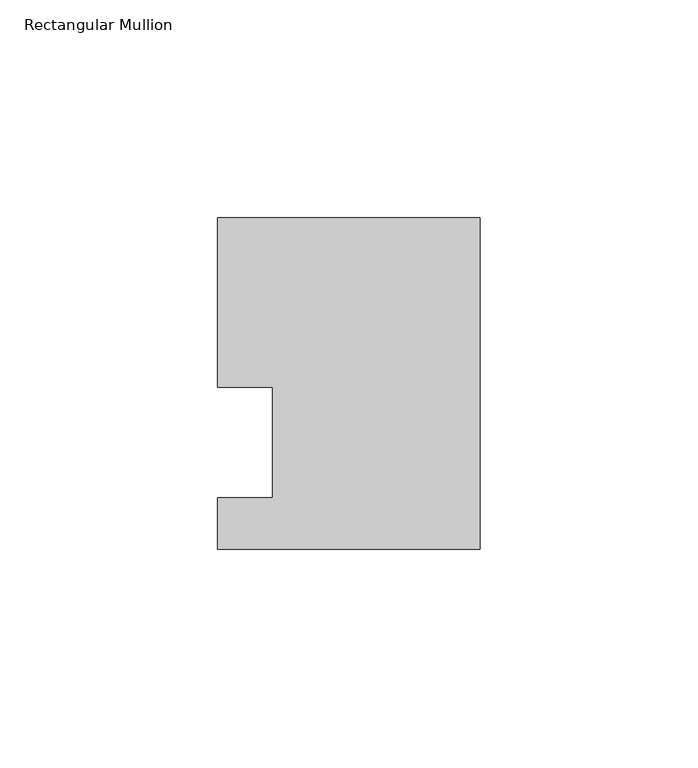
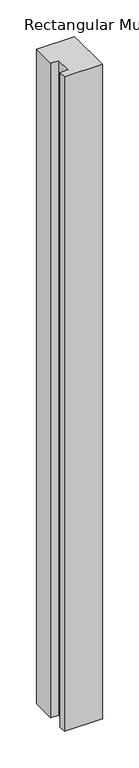
"""IFC4 building model written with IfcOpenShell, lengths in millimetres: member geometry, Rectangular Mullion."""

from ifc_helpers import new_model, si_unit, frame, origin, place, context, project, spatial, polyline, outline, extrude, source, transform, mapped, element, save


def rectangular_mullion_f6175545(model_context):
    return source(origin(), model_context, "Body", "SweptSolid", [
        extrude(outline(polyline([(-60.325, 51.59375), (0.0, 51.59375), (0.0, -24.60625), (-60.325, -24.60625), (-60.325, -12.7), (-47.625, -12.7), (-47.625, 12.7), (-60.325, 12.7), (-60.325, 51.59375)])), frame((0.0, 0.0, -1091.0405973), z_axis=(0.0, 0.0, 1.0), x_axis=(1.0, 0.0, 0.0)), (0.0, 0.0, 1.0), 1091.0405973),
    ])


if __name__ == "__main__":
    model = new_model("IFC4")
    model_context = context("Model", 3, world=origin())
    ifc_project = project(units=[si_unit("LENGTHUNIT", "METRE", prefix="MILLI")], contexts=[model_context])
    site = spatial("IfcSite", under=ifc_project)
    building = spatial("IfcBuilding", under=site)
    placement = place(None, origin())
    rectangular_mullion_shape = rectangular_mullion_f6175545(model_context)
    element("IfcMember", 1, ObjectType="Rectangular Mullion", at=placement, inside=building, context=model_context, shape_type="MappedRepresentation", body=[
        mapped(rectangular_mullion_shape, transform((0.0, 0.0, 0.0), x_axis=(1.0, 0.0, 0.0), y_axis=(0.0, 1.0, 0.0), z_axis=(0.0, 0.0, 1.0))),
    ])
    save(model, "model.ifc")
